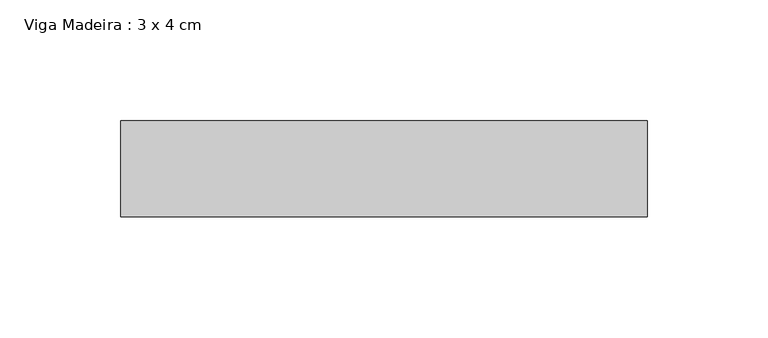
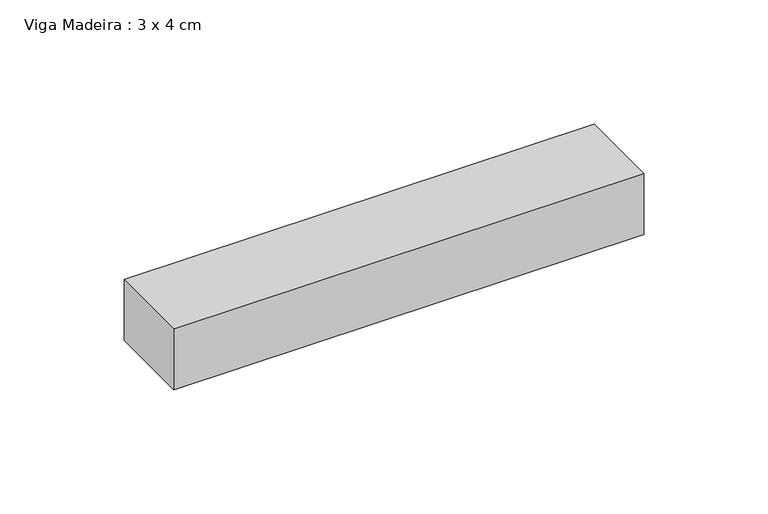
"""IFC4 building model written with IfcOpenShell, lengths in millimetres: beam geometry, Viga Madeira : 3 x 4 cm."""

from ifc_helpers import new_model, si_unit, frame, origin, place, context, project, spatial, polyline, outline, extrude, source, transform, mapped, element, save


def viga_madeira_3_x_4_cm_c3f2c6dc(model_context):
    return source(origin(), model_context, "Body", "SweptSolid", [
        extrude(outline(polyline([(109.2719955, 20.0), (109.2719955, -20.0), (-109.2719955, -20.0), (-109.2719955, 20.0), (109.2719955, 20.0)])), frame((0.0, 0.0, -15.0), z_axis=(0.0, 0.0, 1.0), x_axis=(1.0, 0.0, 0.0)), (0.0, 0.0, 1.0), 30.0),
    ])


if __name__ == "__main__":
    model = new_model("IFC4")
    model_context = context("Model", 3, world=origin())
    ifc_project = project(units=[si_unit("LENGTHUNIT", "METRE", prefix="MILLI")], contexts=[model_context])
    site = spatial("IfcSite", under=ifc_project)
    building = spatial("IfcBuilding", under=site)
    placement = place(None, origin())
    viga_madeira_3_x_4_cm_shape = viga_madeira_3_x_4_cm_c3f2c6dc(model_context)
    element("IfcBeam", 1, ObjectType="Viga Madeira : 3 x 4 cm", at=placement, inside=building, context=model_context, shape_type="MappedRepresentation", body=[
        mapped(viga_madeira_3_x_4_cm_shape, transform((0.0, 0.0, 0.0), x_axis=(1.0, 0.0, 0.0), y_axis=(0.0, 1.0, 0.0), z_axis=(0.0, 0.0, 1.0))),
    ])
    save(model, "model.ifc")
